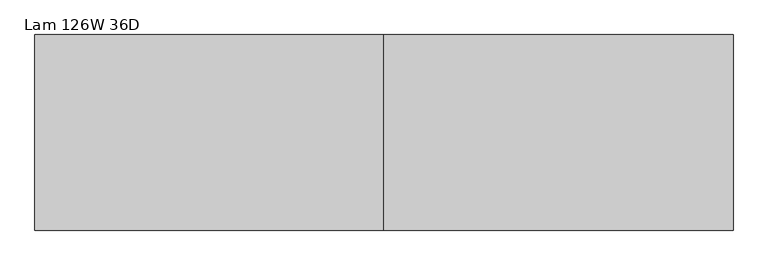
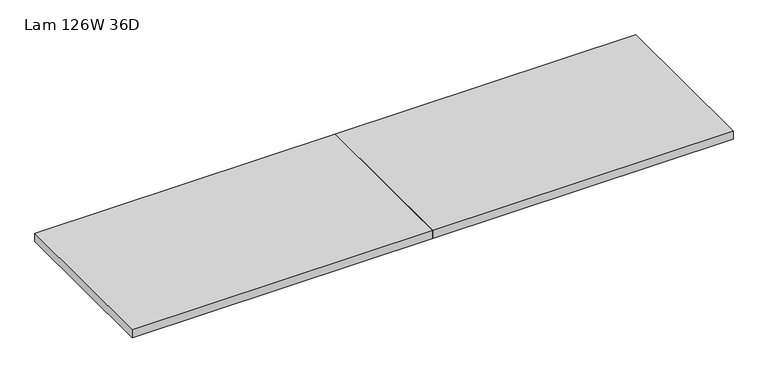
"""IFC4 building model written with IfcOpenShell, lengths in millimetres: furniture geometry, Lam 126W 36D."""

from ifc_helpers import new_model, si_unit, frame, origin, place, context, project, spatial, polyline, outline, extrude, source, transform, mapped, element, save


def lam_126w_36d_b8d433c9(model_context):
    return source(origin(), model_context, "Body", "SweptSolid", [
        extrude(outline(polyline([(3290.57, 457.2), (3290.57, -457.2), (1658.62, -457.2), (1658.62, 457.2), (3290.57, 457.2)])), frame((0.0, 0.0, 984.25), z_axis=(0.0, 0.0, 1.0), x_axis=(1.0, 0.0, 0.0)), (0.0, 0.0, 1.0), 44.704),
        extrude(outline(polyline([(1658.62, 457.2), (1658.62, -457.2), (26.67, -457.2), (26.67, 457.2), (1658.62, 457.2)])), frame((0.0, 0.0, 984.25), z_axis=(0.0, 0.0, 1.0), x_axis=(1.0, 0.0, 0.0)), (0.0, 0.0, 1.0), 44.704),
    ])


if __name__ == "__main__":
    model = new_model("IFC4")
    model_context = context("Model", 3, world=origin())
    ifc_project = project(units=[si_unit("LENGTHUNIT", "METRE", prefix="MILLI")], contexts=[model_context])
    site = spatial("IfcSite", under=ifc_project)
    building = spatial("IfcBuilding", under=site)
    placement = place(None, origin())
    lam_126w_36d_shape = lam_126w_36d_b8d433c9(model_context)
    element("IfcFurniture", 1, ObjectType="Lam 126W 36D", at=placement, inside=building, context=model_context, shape_type="MappedRepresentation", body=[
        mapped(lam_126w_36d_shape, transform((0.0, 0.0, 0.0), x_axis=(1.0, 0.0, 0.0), y_axis=(0.0, 1.0, 0.0), z_axis=(0.0, 0.0, 1.0))),
    ])
    save(model, "model.ifc")
